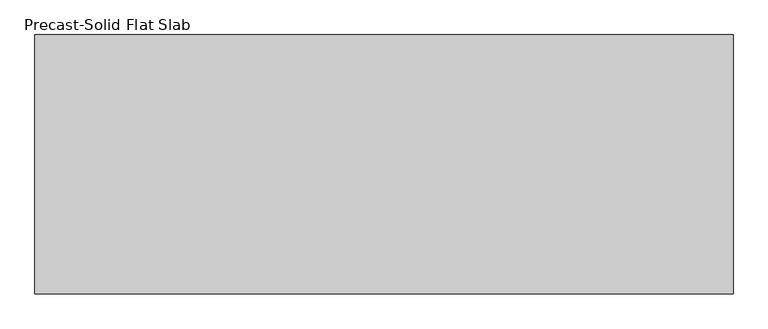
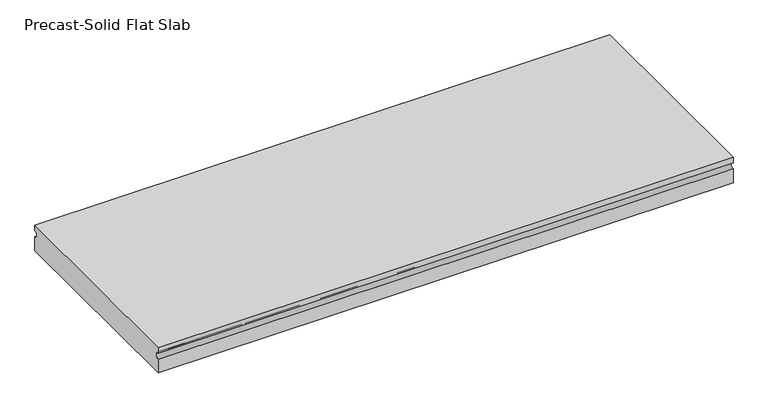
"""IFC4 building model written with IfcOpenShell, lengths in millimetres: beam geometry, Precast-Solid Flat Slab."""

from ifc_helpers import new_model, si_unit, point, frame, frame_2d, origin, place, context, project, spatial, polyline, circle_curve, trimmed, segment, composite_curve, outline, extrude, source, transform, mapped, element, save


def precast_solid_flat_slab_8ebd0b42(model_context):
    return source(origin(), model_context, "Body", "SweptSolid", [
        extrude(outline(composite_curve([segment(polyline([(-304.8, 38.1), (304.8, 38.1), (304.8, 22.225)]), True, "CONTINUOUS"), segment(trimmed(circle_curve(frame_2d((304.8, 12.7)), 9.525), [point((304.8, 22.225))], [point((304.8, 3.175))], True, "CARTESIAN"), True, "CONTINUOUS"), segment(polyline([(304.8, 3.175), (304.8, -38.1), (-304.8, -38.1), (-304.8, 3.175)]), True, "CONTINUOUS"), segment(trimmed(circle_curve(frame_2d((-304.8, 12.7)), 9.525), [point((-304.8, 3.175))], [point((-304.8, 22.225))], True, "CARTESIAN"), True, "CONTINUOUS"), segment(polyline([(-304.8, 22.225), (-304.8, 38.1)]), True, "CONTINUOUS")], self_intersect=False)), frame((-787.7302, 0.0, 0.0), z_axis=(1.0, 0.0, 0.0), x_axis=(0.0, 1.0, 0.0)), (0.0, 0.0, 1.0), 1641.8051994),
    ])


if __name__ == "__main__":
    model = new_model("IFC4")
    model_context = context("Model", 3, world=origin())
    ifc_project = project(units=[si_unit("LENGTHUNIT", "METRE", prefix="MILLI")], contexts=[model_context])
    site = spatial("IfcSite", under=ifc_project)
    building = spatial("IfcBuilding", under=site)
    placement = place(None, origin())
    precast_solid_flat_slab_shape = precast_solid_flat_slab_8ebd0b42(model_context)
    element("IfcBeam", 1, ObjectType="Precast-Solid Flat Slab", at=placement, inside=building, context=model_context, shape_type="MappedRepresentation", body=[
        mapped(precast_solid_flat_slab_shape, transform((0.0, 0.0, 0.0), x_axis=(1.0, 0.0, 0.0), y_axis=(0.0, 1.0, 0.0), z_axis=(0.0, 0.0, 1.0))),
    ])
    save(model, "model.ifc")
